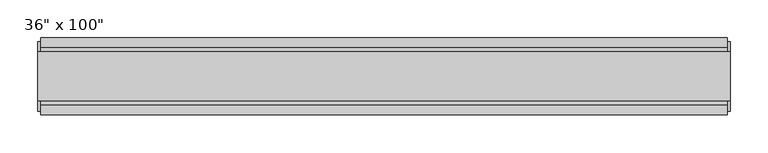
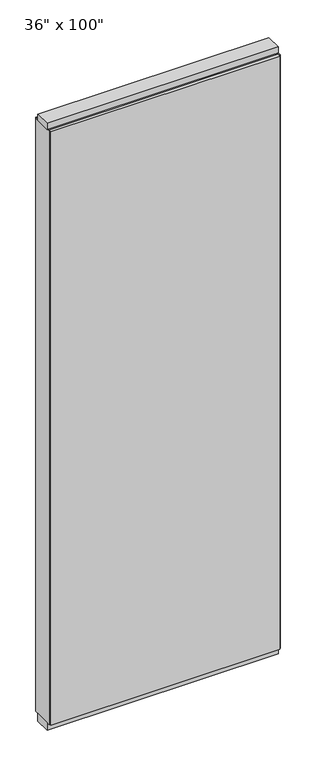
"""IFC4 building model written with IfcOpenShell, lengths in millimetres: furniture geometry."""

import ifcopenshell
import ifcopenshell.guid

model = None  # the IFC model being written
_history = None  # IfcOwnerHistory: only IFC2X3 demands one
_inside = {}  # id of a spatial element -> (the spatial element, [elements in it])
_under = {}  # id of a project, library or spatial element -> (it, [spatial elements below it])
_declared = {}  # id of a project -> (the project, [libraries it declares])
_typed = {}  # id of a type object -> (the type object, [elements of that type])
_made_of = {}  # id of a material, layer set ... -> (it, [elements and type objects made of it])


def new_model(schema):
    """Start an empty IFC model of exactly this schema.

    Asked for "IFC4X3", IfcOpenShell would pick the latest addendum, in which some entities
    have other attributes; the version numbers below select the first issue.
    IFC2X3 requires an IfcOwnerHistory on every rooted entity: one is made here for all.
    """
    global model, _history
    if schema == "IFC4X3":
        model = ifcopenshell.file(schema_version=(4, 3, 0, 0))
    else:
        model = ifcopenshell.file(schema=schema)
    _inside.clear()
    _under.clear()
    _declared.clear()
    _typed.clear()
    _made_of.clear()
    _history = None
    if model.schema == "IFC2X3":
        org = make("IfcOrganization", Name="unknown")
        user = make(
            "IfcPersonAndOrganization",
            ThePerson=make("IfcPerson", FamilyName="unknown"),
            TheOrganization=org,
        )
        app = make(
            "IfcApplication",
            ApplicationDeveloper=org,
            Version="unknown",
            ApplicationFullName="unknown",
            ApplicationIdentifier="unknown",
        )
        _history = make(
            "IfcOwnerHistory",
            OwningUser=user,
            OwningApplication=app,
            ChangeAction="ADDED",
            CreationDate=0,
        )
    return model


def make(cls, **values):
    """One entity of the class cls with the attributes given. An attribute that is None is left unset."""
    return model.create_entity(
        cls, **{name: value for name, value in values.items() if value is not None}
    )


def rooted(cls, **values):
    """An entity with a GlobalId (a new one), such as an element, a storey or a relation."""
    return make(cls, GlobalId=ifcopenshell.guid.new(), OwnerHistory=_history, **values)


def si_unit(unit_type, name, prefix=None):
    """IfcSIUnit, for example si_unit("LENGTHUNIT", "METRE", prefix="MILLI")."""
    return make("IfcSIUnit", UnitType=unit_type, Prefix=prefix, Name=name)


def assignment(units):
    """IfcUnitAssignment: the units of a project."""
    return None if units is None else make("IfcUnitAssignment", Units=units)


def point(xyz):
    """IfcCartesianPoint."""
    return None if xyz is None else make("IfcCartesianPoint", Coordinates=xyz)


def direction(xyz):
    """IfcDirection."""
    return None if xyz is None else make("IfcDirection", DirectionRatios=xyz)


def frame(location, z_axis=None, x_axis=None):
    """IfcAxis2Placement3D, a coordinate frame: its origin and axes. An axis left out is left unset."""
    return make(
        "IfcAxis2Placement3D",
        Location=point(location),
        Axis=direction(z_axis),
        RefDirection=direction(x_axis),
    )


def origin():
    """The frame at (0, 0, 0) with its axes left unset."""
    return frame((0.0, 0.0, 0.0))


def origin_with_axes():
    """The frame at (0, 0, 0) with the z axis (0, 0, 1) and the x axis (1, 0, 0) written out."""
    return frame((0.0, 0.0, 0.0), z_axis=(0.0, 0.0, 1.0), x_axis=(1.0, 0.0, 0.0))


def place(relative_to, where):
    """IfcLocalPlacement: puts the frame where relative to a parent placement (None: the world)."""
    return make(
        "IfcLocalPlacement", PlacementRelTo=relative_to, RelativePlacement=where
    )


def context(
    kind, dimensions, precision=None, world=None, true_north=None, identifier=None
):
    """IfcGeometricRepresentationContext, for example the 3D "Model" context."""
    return make(
        "IfcGeometricRepresentationContext",
        ContextIdentifier=identifier,
        ContextType=kind,
        CoordinateSpaceDimension=dimensions,
        Precision=precision,
        WorldCoordinateSystem=world,
        TrueNorth=true_north,
    )


def project(units=None, contexts=None):
    """IfcProject with its units and contexts."""
    return rooted(
        "IfcProject",
        Name="project",
        RepresentationContexts=contexts,
        UnitsInContext=assignment(units),
    )


def spatial(cls, under=None, at=None, **own):
    """A site, building, storey or space (cls), placed at a placement, below another one or the project."""
    s = rooted(cls, ObjectPlacement=at, **own)
    if under is not None:
        _under.setdefault(under.id(), (under, []))[1].append(s)
    return s


def polyline(points):
    """IfcPolyline through the points."""
    return make("IfcPolyline", Points=[point(p) for p in points])


def outline(outer, holes=None, kind="AREA"):
    """IfcArbitraryClosedProfileDef: a profile drawn as a closed curve; with holes, ...WithVoids."""
    if holes is None:
        return make("IfcArbitraryClosedProfileDef", ProfileType=kind, OuterCurve=outer)
    return make(
        "IfcArbitraryProfileDefWithVoids",
        ProfileType=kind,
        OuterCurve=outer,
        InnerCurves=holes,
    )


def extrude(swept, where, along, depth):
    """IfcExtrudedAreaSolid: the profile swept, set in the frame where, extruded along a direction by depth."""
    return make(
        "IfcExtrudedAreaSolid",
        SweptArea=swept,
        Position=where,
        ExtrudedDirection=direction(along),
        Depth=depth,
    )


def shape(context_of_items, identifier, shape_type, items):
    """IfcShapeRepresentation: the items that make up one representation, for example the "Body"."""
    return make(
        "IfcShapeRepresentation",
        ContextOfItems=context_of_items,
        RepresentationIdentifier=identifier,
        RepresentationType=shape_type,
        Items=items,
    )


def source(mapping_origin, context_of_items, identifier, shape_type, items):
    """IfcRepresentationMap: a shape defined once, which mapped items show again and again."""
    return make(
        "IfcRepresentationMap",
        MappingOrigin=mapping_origin,
        MappedRepresentation=shape(context_of_items, identifier, shape_type, items),
    )


def transform(
    local_origin,
    x_axis=None,
    y_axis=None,
    z_axis=None,
    scale=None,
    scale2=None,
    scale3=None,
    uniform=True,
):
    """IfcCartesianTransformationOperator3D, or its non-uniform kind. x_axis, y_axis, z_axis: its Axis1, 2, 3."""
    if uniform:
        return make(
            "IfcCartesianTransformationOperator3D",
            Axis1=direction(x_axis),
            Axis2=direction(y_axis),
            LocalOrigin=point(local_origin),
            Scale=scale,
            Axis3=direction(z_axis),
        )
    return make(
        "IfcCartesianTransformationOperator3DnonUniform",
        Axis1=direction(x_axis),
        Axis2=direction(y_axis),
        LocalOrigin=point(local_origin),
        Scale=scale,
        Axis3=direction(z_axis),
        Scale2=scale2,
        Scale3=scale3,
    )


def mapped(mapping_source, mapping_target):
    """IfcMappedItem: shows the shape of a source again, moved by a transform."""
    return make(
        "IfcMappedItem", MappingSource=mapping_source, MappingTarget=mapping_target
    )


def made_of(thing, what):
    """Note that an element or type object is made of a material, layer set ...; save() writes the relation."""
    if what is not None:
        _made_of.setdefault(what.id(), (what, []))[1].append(thing)
    return thing


def element(
    cls,
    number,
    at=None,
    inside=None,
    cuts=None,
    type_object=None,
    material=None,
    context=None,
    identifier="Body",
    shape_type=None,
    held_by="IfcProductDefinitionShape",
    body=None,
    shapes=None,
    **own,
):
    """One element of the class cls, such as IfcWall. Its Tag is "e" and its number.

    at: its placement. inside: the storey or other place that contains it. cuts: it is an
    opening in that element (IfcRelVoidsElement). A single representation is given by context,
    identifier, shape_type and body (its items); several are given by shapes. held_by: the class
    of the entity that holds the representations. save() writes the other relations.
    """
    e = rooted(cls, Tag="e%d" % number, ObjectPlacement=at, **own)
    if body is not None:
        shapes = [shape(context, identifier, shape_type, body)]
    if shapes is not None:
        e.Representation = make(held_by, Representations=shapes)
    if inside is not None:
        _inside.setdefault(inside.id(), (inside, []))[1].append(e)
    if cuts is not None:
        rooted(
            "IfcRelVoidsElement", RelatingBuildingElement=cuts, RelatedOpeningElement=e
        )
    if type_object is not None:
        _typed.setdefault(type_object.id(), (type_object, []))[1].append(e)
    return made_of(e, material)


def aggregate(whole, parts):
    """IfcRelAggregates: a whole, such as a stair, and the parts it consists of."""
    return rooted("IfcRelAggregates", RelatingObject=whole, RelatedObjects=parts)


def save(model, path):
    """Write the relations noted so far, then the file.

    IfcRelAggregates (storeys below a building ...), IfcRelContainedInSpatialStructure (elements
    in a storey), IfcRelDefinesByType, IfcRelAssociatesMaterial and IfcRelDeclares: one each for
    every whole, place, type object, material and project.
    """
    for whole, parts in _under.values():
        aggregate(whole, parts)
    for where, things in _inside.values():
        rooted(
            "IfcRelContainedInSpatialStructure",
            RelatedElements=things,
            RelatingStructure=where,
        )
    for kind, things in _typed.values():
        rooted("IfcRelDefinesByType", RelatedObjects=things, RelatingType=kind)
    for what, things in _made_of.values():
        rooted("IfcRelAssociatesMaterial", RelatedObjects=things, RelatingMaterial=what)
    for by, libraries in _declared.values():
        rooted("IfcRelDeclares", RelatingContext=by, RelatedDefinitions=libraries)
    model.write(path)


def furniture_044f97ba(model_context):
    return source(origin(), model_context, "Body", "SweptSolid", [
        extrude(outline(polyline([(393.2264771, 46.2822784), (393.2264771, 33.5822784), (-513.2995229, 33.5822784), (-513.2995229, 46.2822784), (393.2264771, 46.2822784)])), frame((0.0, 0.0, 31.75), z_axis=(0.0, 0.0, 1.0), x_axis=(1.0, 0.0, 0.0)), (0.0, 0.0, 1.0), 2482.85),
        extrude(outline(polyline([(393.2264771, -55.3177216), (-513.2995229, -55.3177216), (-513.2995229, -42.6177216), (393.2264771, -42.6177216), (393.2264771, -55.3177216)])), frame((0.0, 0.0, 31.75), z_axis=(0.0, 0.0, 1.0), x_axis=(1.0, 0.0, 0.0)), (0.0, 0.0, 1.0), 2482.85),
        extrude(outline(polyline([(-42.6177216, 2478.278), (-42.6177216, 2514.6), (33.5822784, 2514.6), (33.5822784, 2478.278), (28.6292784, 2478.278), (28.6292784, 2473.325), (-37.6647216, 2473.325), (-37.6647216, 2478.278), (-42.6177216, 2478.278)])), frame((-513.2995229, 0.0, 0.0), z_axis=(1.0, 0.0, 0.0), x_axis=(0.0, 1.0, 0.0)), (0.0, 0.0, 1.0), 906.526),
        extrude(outline(polyline([(397.1634771, 27.9942784), (397.1634771, -37.0297216), (-517.2365229, -37.0297216), (-517.2365229, 27.9942784), (397.1634771, 27.9942784)])), origin_with_axes(), (0.0, 0.0, 1.0), 31.75),
        extrude(outline(polyline([(-517.2365229, -37.0297216), (-517.2365229, 27.9942784), (397.1634771, 27.9942784), (397.1634771, -37.0297216), (-517.2365229, -37.0297216)])), frame((0.0, 0.0, 2514.6), z_axis=(0.0, 0.0, 1.0), x_axis=(1.0, 0.0, 0.0)), (0.0, 0.0, 1.0), 25.4),
        extrude(outline(polyline([(397.1634771, -50.3647216), (393.2264771, -50.3647216), (393.2264771, 41.3292784), (397.1634771, 41.3292784), (397.1634771, -50.3647216)])), frame((0.0, 0.0, 31.75), z_axis=(0.0, 0.0, 1.0), x_axis=(1.0, 0.0, 0.0)), (0.0, 0.0, 1.0), 2482.85),
        extrude(outline(polyline([(-517.2365229, -50.3647216), (-517.2365229, 41.3292784), (-513.2995229, 41.3292784), (-513.2995229, -50.3647216), (-517.2365229, -50.3647216)])), frame((0.0, 0.0, 31.75), z_axis=(0.0, 0.0, 1.0), x_axis=(1.0, 0.0, 0.0)), (0.0, 0.0, 1.0), 2482.85),
    ])


if __name__ == "__main__":
    model = new_model("IFC4")
    model_context = context("Model", 3, world=origin())
    ifc_project = project(units=[si_unit("LENGTHUNIT", "METRE", prefix="MILLI")], contexts=[model_context])
    site = spatial("IfcSite", under=ifc_project)
    building = spatial("IfcBuilding", under=site)
    placement = place(None, origin())
    furniture_shape = furniture_044f97ba(model_context)
    element("IfcFurniture", 1, ObjectType="36\" x 100\"", at=placement, inside=building, context=model_context, shape_type="MappedRepresentation", body=[
        mapped(furniture_shape, transform((0.0, 0.0, 0.0), x_axis=(1.0, 0.0, 0.0), y_axis=(0.0, 1.0, 0.0), z_axis=(0.0, 0.0, 1.0))),
    ])
    save(model, "model.ifc")
